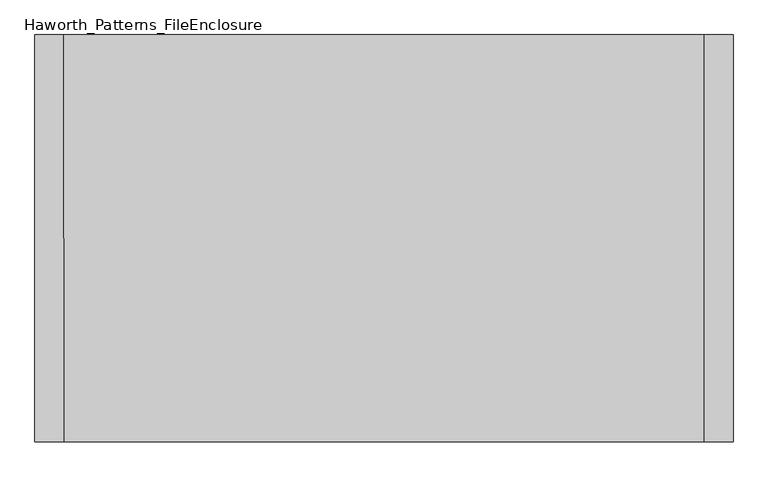
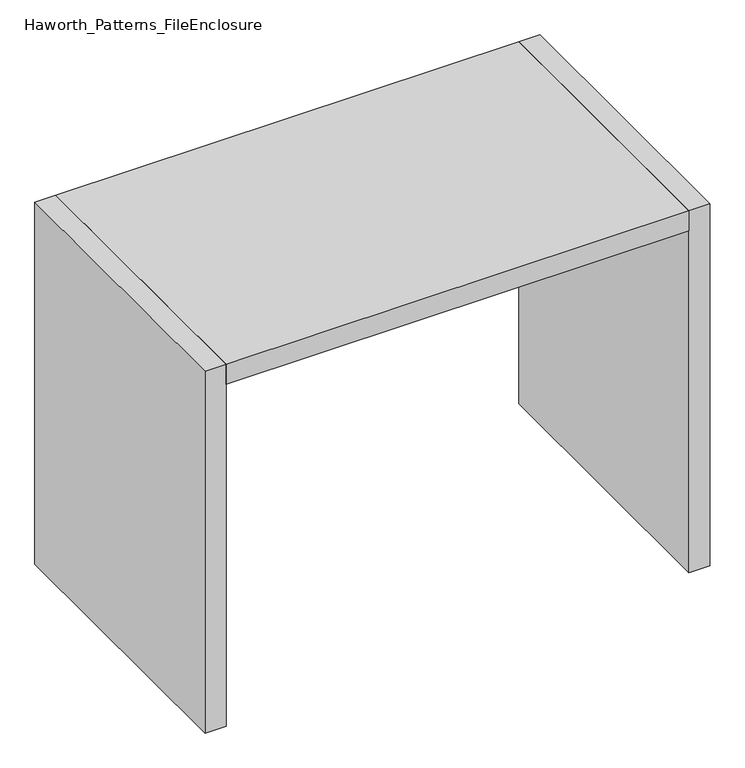
"""IFC4 building model written with IfcOpenShell, lengths in millimetres: furniture geometry, Haworth_Patterns_FileEnclosure."""

import ifcopenshell
import ifcopenshell.guid

model = None  # the IFC model being written
_history = None  # IfcOwnerHistory: only IFC2X3 demands one
_inside = {}  # id of a spatial element -> (the spatial element, [elements in it])
_under = {}  # id of a project, library or spatial element -> (it, [spatial elements below it])
_declared = {}  # id of a project -> (the project, [libraries it declares])
_typed = {}  # id of a type object -> (the type object, [elements of that type])
_made_of = {}  # id of a material, layer set ... -> (it, [elements and type objects made of it])


def new_model(schema):
    """Start an empty IFC model of exactly this schema.

    Asked for "IFC4X3", IfcOpenShell would pick the latest addendum, in which some entities
    have other attributes; the version numbers below select the first issue.
    IFC2X3 requires an IfcOwnerHistory on every rooted entity: one is made here for all.
    """
    global model, _history
    if schema == "IFC4X3":
        model = ifcopenshell.file(schema_version=(4, 3, 0, 0))
    else:
        model = ifcopenshell.file(schema=schema)
    _inside.clear()
    _under.clear()
    _declared.clear()
    _typed.clear()
    _made_of.clear()
    _history = None
    if model.schema == "IFC2X3":
        org = make("IfcOrganization", Name="unknown")
        user = make(
            "IfcPersonAndOrganization",
            ThePerson=make("IfcPerson", FamilyName="unknown"),
            TheOrganization=org,
        )
        app = make(
            "IfcApplication",
            ApplicationDeveloper=org,
            Version="unknown",
            ApplicationFullName="unknown",
            ApplicationIdentifier="unknown",
        )
        _history = make(
            "IfcOwnerHistory",
            OwningUser=user,
            OwningApplication=app,
            ChangeAction="ADDED",
            CreationDate=0,
        )
    return model


def make(cls, **values):
    """One entity of the class cls with the attributes given. An attribute that is None is left unset."""
    return model.create_entity(
        cls, **{name: value for name, value in values.items() if value is not None}
    )


def rooted(cls, **values):
    """An entity with a GlobalId (a new one), such as an element, a storey or a relation."""
    return make(cls, GlobalId=ifcopenshell.guid.new(), OwnerHistory=_history, **values)


def si_unit(unit_type, name, prefix=None):
    """IfcSIUnit, for example si_unit("LENGTHUNIT", "METRE", prefix="MILLI")."""
    return make("IfcSIUnit", UnitType=unit_type, Prefix=prefix, Name=name)


def assignment(units):
    """IfcUnitAssignment: the units of a project."""
    return None if units is None else make("IfcUnitAssignment", Units=units)


def point(xyz):
    """IfcCartesianPoint."""
    return None if xyz is None else make("IfcCartesianPoint", Coordinates=xyz)


def direction(xyz):
    """IfcDirection."""
    return None if xyz is None else make("IfcDirection", DirectionRatios=xyz)


def frame(location, z_axis=None, x_axis=None):
    """IfcAxis2Placement3D, a coordinate frame: its origin and axes. An axis left out is left unset."""
    return make(
        "IfcAxis2Placement3D",
        Location=point(location),
        Axis=direction(z_axis),
        RefDirection=direction(x_axis),
    )


def origin():
    """The frame at (0, 0, 0) with its axes left unset."""
    return frame((0.0, 0.0, 0.0))


def origin_with_axes():
    """The frame at (0, 0, 0) with the z axis (0, 0, 1) and the x axis (1, 0, 0) written out."""
    return frame((0.0, 0.0, 0.0), z_axis=(0.0, 0.0, 1.0), x_axis=(1.0, 0.0, 0.0))


def place(relative_to, where):
    """IfcLocalPlacement: puts the frame where relative to a parent placement (None: the world)."""
    return make(
        "IfcLocalPlacement", PlacementRelTo=relative_to, RelativePlacement=where
    )


def context(
    kind, dimensions, precision=None, world=None, true_north=None, identifier=None
):
    """IfcGeometricRepresentationContext, for example the 3D "Model" context."""
    return make(
        "IfcGeometricRepresentationContext",
        ContextIdentifier=identifier,
        ContextType=kind,
        CoordinateSpaceDimension=dimensions,
        Precision=precision,
        WorldCoordinateSystem=world,
        TrueNorth=true_north,
    )


def project(units=None, contexts=None):
    """IfcProject with its units and contexts."""
    return rooted(
        "IfcProject",
        Name="project",
        RepresentationContexts=contexts,
        UnitsInContext=assignment(units),
    )


def spatial(cls, under=None, at=None, **own):
    """A site, building, storey or space (cls), placed at a placement, below another one or the project."""
    s = rooted(cls, ObjectPlacement=at, **own)
    if under is not None:
        _under.setdefault(under.id(), (under, []))[1].append(s)
    return s


def polyline(points):
    """IfcPolyline through the points."""
    return make("IfcPolyline", Points=[point(p) for p in points])


def outline(outer, holes=None, kind="AREA"):
    """IfcArbitraryClosedProfileDef: a profile drawn as a closed curve; with holes, ...WithVoids."""
    if holes is None:
        return make("IfcArbitraryClosedProfileDef", ProfileType=kind, OuterCurve=outer)
    return make(
        "IfcArbitraryProfileDefWithVoids",
        ProfileType=kind,
        OuterCurve=outer,
        InnerCurves=holes,
    )


def extrude(swept, where, along, depth):
    """IfcExtrudedAreaSolid: the profile swept, set in the frame where, extruded along a direction by depth."""
    return make(
        "IfcExtrudedAreaSolid",
        SweptArea=swept,
        Position=where,
        ExtrudedDirection=direction(along),
        Depth=depth,
    )


def shape(context_of_items, identifier, shape_type, items):
    """IfcShapeRepresentation: the items that make up one representation, for example the "Body"."""
    return make(
        "IfcShapeRepresentation",
        ContextOfItems=context_of_items,
        RepresentationIdentifier=identifier,
        RepresentationType=shape_type,
        Items=items,
    )


def source(mapping_origin, context_of_items, identifier, shape_type, items):
    """IfcRepresentationMap: a shape defined once, which mapped items show again and again."""
    return make(
        "IfcRepresentationMap",
        MappingOrigin=mapping_origin,
        MappedRepresentation=shape(context_of_items, identifier, shape_type, items),
    )


def transform(
    local_origin,
    x_axis=None,
    y_axis=None,
    z_axis=None,
    scale=None,
    scale2=None,
    scale3=None,
    uniform=True,
):
    """IfcCartesianTransformationOperator3D, or its non-uniform kind. x_axis, y_axis, z_axis: its Axis1, 2, 3."""
    if uniform:
        return make(
            "IfcCartesianTransformationOperator3D",
            Axis1=direction(x_axis),
            Axis2=direction(y_axis),
            LocalOrigin=point(local_origin),
            Scale=scale,
            Axis3=direction(z_axis),
        )
    return make(
        "IfcCartesianTransformationOperator3DnonUniform",
        Axis1=direction(x_axis),
        Axis2=direction(y_axis),
        LocalOrigin=point(local_origin),
        Scale=scale,
        Axis3=direction(z_axis),
        Scale2=scale2,
        Scale3=scale3,
    )


def mapped(mapping_source, mapping_target):
    """IfcMappedItem: shows the shape of a source again, moved by a transform."""
    return make(
        "IfcMappedItem", MappingSource=mapping_source, MappingTarget=mapping_target
    )


def made_of(thing, what):
    """Note that an element or type object is made of a material, layer set ...; save() writes the relation."""
    if what is not None:
        _made_of.setdefault(what.id(), (what, []))[1].append(thing)
    return thing


def element(
    cls,
    number,
    at=None,
    inside=None,
    cuts=None,
    type_object=None,
    material=None,
    context=None,
    identifier="Body",
    shape_type=None,
    held_by="IfcProductDefinitionShape",
    body=None,
    shapes=None,
    **own,
):
    """One element of the class cls, such as IfcWall. Its Tag is "e" and its number.

    at: its placement. inside: the storey or other place that contains it. cuts: it is an
    opening in that element (IfcRelVoidsElement). A single representation is given by context,
    identifier, shape_type and body (its items); several are given by shapes. held_by: the class
    of the entity that holds the representations. save() writes the other relations.
    """
    e = rooted(cls, Tag="e%d" % number, ObjectPlacement=at, **own)
    if body is not None:
        shapes = [shape(context, identifier, shape_type, body)]
    if shapes is not None:
        e.Representation = make(held_by, Representations=shapes)
    if inside is not None:
        _inside.setdefault(inside.id(), (inside, []))[1].append(e)
    if cuts is not None:
        rooted(
            "IfcRelVoidsElement", RelatingBuildingElement=cuts, RelatedOpeningElement=e
        )
    if type_object is not None:
        _typed.setdefault(type_object.id(), (type_object, []))[1].append(e)
    return made_of(e, material)


def aggregate(whole, parts):
    """IfcRelAggregates: a whole, such as a stair, and the parts it consists of."""
    return rooted("IfcRelAggregates", RelatingObject=whole, RelatedObjects=parts)


def save(model, path):
    """Write the relations noted so far, then the file.

    IfcRelAggregates (storeys below a building ...), IfcRelContainedInSpatialStructure (elements
    in a storey), IfcRelDefinesByType, IfcRelAssociatesMaterial and IfcRelDeclares: one each for
    every whole, place, type object, material and project.
    """
    for whole, parts in _under.values():
        aggregate(whole, parts)
    for where, things in _inside.values():
        rooted(
            "IfcRelContainedInSpatialStructure",
            RelatedElements=things,
            RelatingStructure=where,
        )
    for kind, things in _typed.values():
        rooted("IfcRelDefinesByType", RelatedObjects=things, RelatingType=kind)
    for what, things in _made_of.values():
        rooted("IfcRelAssociatesMaterial", RelatedObjects=things, RelatingMaterial=what)
    for by, libraries in _declared.values():
        rooted("IfcRelDeclares", RelatingContext=by, RelatedDefinitions=libraries)
    model.write(path)


def haworth_patterns_fileenclosure_a3726e68(model_context):
    return source(origin(), model_context, "Body", "SweptSolid", [
        extrude(outline(polyline([(838.2, 0.0), (838.2, -1066.8), (-838.2, -1066.8), (-838.2, 0.0), (838.2, 0.0)])), frame((0.0, 0.0, 1308.1), z_axis=(0.0, 0.0, 1.0), x_axis=(1.0, 0.0, 0.0)), (0.0, 0.0, 1.0), 76.2),
        extrude(outline(polyline([(838.2, 0.0), (914.4, 0.0), (914.4, -1066.8), (838.2, -1066.8), (838.2, 0.0)])), origin_with_axes(), (0.0, 0.0, 1.0), 1384.3),
        extrude(outline(polyline([(-838.2, 0.0), (-838.2, -1066.8), (-914.4, -1066.8), (-914.4, 0.0), (-838.2, 0.0)])), origin_with_axes(), (0.0, 0.0, 1.0), 1384.3),
    ])


if __name__ == "__main__":
    model = new_model("IFC4")
    model_context = context("Model", 3, world=origin())
    ifc_project = project(units=[si_unit("LENGTHUNIT", "METRE", prefix="MILLI")], contexts=[model_context])
    site = spatial("IfcSite", under=ifc_project)
    building = spatial("IfcBuilding", under=site)
    placement = place(None, origin())
    haworth_patterns_fileenclosure_shape = haworth_patterns_fileenclosure_a3726e68(model_context)
    element("IfcFurniture", 1, ObjectType="Haworth_Patterns_FileEnclosure", at=placement, inside=building, context=model_context, shape_type="MappedRepresentation", body=[
        mapped(haworth_patterns_fileenclosure_shape, transform((0.0, 0.0, 0.0), x_axis=(1.0, 0.0, 0.0), y_axis=(0.0, 1.0, 0.0), z_axis=(0.0, 0.0, 1.0))),
    ])
    save(model, "model.ifc")
